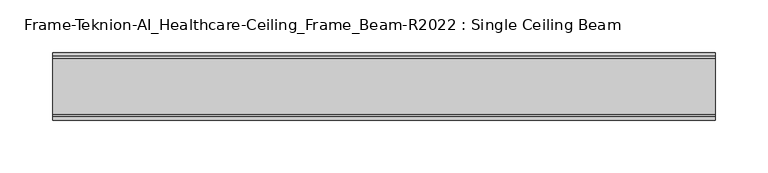
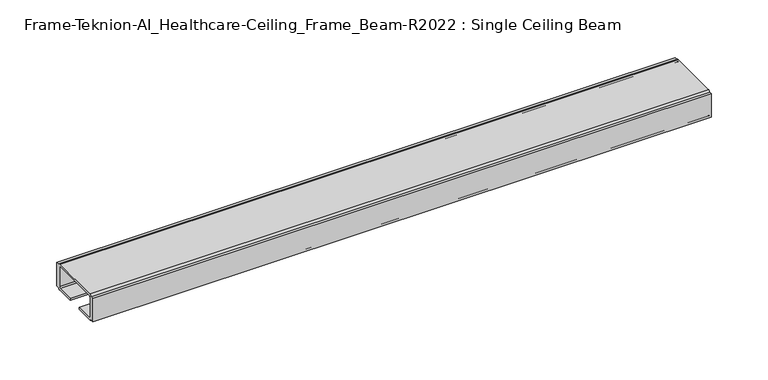
"""IFC4 building model written with IfcOpenShell, lengths in millimetres: furniture geometry, Frame-Teknion-AI_Healthcare-Ceiling_Frame_Beam-R2022 : Single Ceiling Beam."""

from ifc_helpers import new_model, si_unit, point, frame, frame_2d, origin, place, context, project, spatial, polyline, circle_curve, trimmed, segment, composite_curve, outline, extrude, source, transform, mapped, element, save


def frame_teknion_ai_healthcare_ceiling_frame_beam_r2022_single_15f0d09a(model_context):
    return source(origin(), model_context, "Body", "SweptSolid", [
        extrude(outline(composite_curve([segment(polyline([(-32.174996, 1573.5046), (-32.174996, 1598.9045998), (-28.999999, 1598.9045998), (-28.999999, 1597.787)]), True, "CONTINUOUS"), segment(trimmed(circle_curve(frame_2d((-26.5869991, 1597.787)), 2.413), [point((-28.999999, 1597.787))], [point((-26.5869991, 1600.2))], False, "CARTESIAN"), True, "CONTINUOUS"), segment(polyline([(-26.5869991, 1600.2), (26.5869991, 1600.2)]), True, "CONTINUOUS"), segment(trimmed(circle_curve(frame_2d((26.5869991, 1597.787)), 2.413), [point((26.5869991, 1600.2))], [point((28.999999, 1597.787))], False, "CARTESIAN"), True, "CONTINUOUS"), segment(polyline([(28.999999, 1597.787), (28.999999, 1598.9045998), (32.174996, 1598.9045998), (32.174996, 1573.5046), (28.999999, 1573.5046), (28.999999, 1574.6129989)]), True, "CONTINUOUS"), segment(trimmed(circle_curve(frame_2d((26.5869991, 1574.6129989)), 2.413), [point((28.999999, 1574.6129989))], [point((26.5869991, 1572.199999))], False, "CARTESIAN"), True, "CONTINUOUS"), segment(polyline([(26.5869991, 1572.199999), (7.9374947, 1572.199999), (7.9374947, 1574.4859991), (25.4440002, 1574.4859991)]), True, "CONTINUOUS"), segment(trimmed(circle_curve(frame_2d((25.4440002, 1576.0099999)), 1.5240008), [point((25.4440002, 1574.4859991))], [point((26.968001, 1576.0099999))], True, "CARTESIAN"), True, "CONTINUOUS"), segment(polyline([(26.968001, 1576.0099999), (26.968001, 1597.1520009)]), True, "CONTINUOUS"), segment(trimmed(circle_curve(frame_2d((25.9520019, 1597.1520009)), 1.015999), [point((26.968001, 1597.1520009))], [point((25.9520019, 1598.168))], True, "CARTESIAN"), True, "CONTINUOUS"), segment(polyline([(25.9520019, 1598.168), (-25.9520019, 1598.168)]), True, "CONTINUOUS"), segment(trimmed(circle_curve(frame_2d((-25.9520019, 1597.1520009)), 1.015999), [point((-25.9520019, 1598.168))], [point((-26.968001, 1597.1520009))], True, "CARTESIAN"), True, "CONTINUOUS"), segment(polyline([(-26.968001, 1597.1520009), (-26.968001, 1576.0099999)]), True, "CONTINUOUS"), segment(trimmed(circle_curve(frame_2d((-25.4440002, 1576.0099999)), 1.5240008), [point((-26.968001, 1576.0099999))], [point((-25.4440002, 1574.4859991))], True, "CARTESIAN"), True, "CONTINUOUS"), segment(polyline([(-25.4440002, 1574.4859991), (-7.9374947, 1574.4859991), (-7.9374947, 1572.199999), (-26.5869991, 1572.199999)]), True, "CONTINUOUS"), segment(trimmed(circle_curve(frame_2d((-26.5869991, 1574.6129989)), 2.413), [point((-26.5869991, 1572.199999))], [point((-28.999999, 1574.6129989))], False, "CARTESIAN"), True, "CONTINUOUS"), segment(polyline([(-28.999999, 1574.6129989), (-28.999999, 1573.5046), (-32.174996, 1573.5046)]), True, "CONTINUOUS")], self_intersect=False)), frame((-315.6204, 0.0, 0.0), z_axis=(1.0, 0.0, 0.0), x_axis=(0.0, 1.0, 0.0)), (0.0, 0.0, 1.0), 631.2408),
    ])


if __name__ == "__main__":
    model = new_model("IFC4")
    model_context = context("Model", 3, world=origin())
    ifc_project = project(units=[si_unit("LENGTHUNIT", "METRE", prefix="MILLI")], contexts=[model_context])
    site = spatial("IfcSite", under=ifc_project)
    building = spatial("IfcBuilding", under=site)
    placement = place(None, origin())
    frame_teknion_ai_healthcare_ceiling_frame_beam_r2022_single_shape = frame_teknion_ai_healthcare_ceiling_frame_beam_r2022_single_15f0d09a(model_context)
    element("IfcFurniture", 1, ObjectType="Frame-Teknion-AI_Healthcare-Ceiling_Frame_Beam-R2022 : Single Ceiling Beam", at=placement, inside=building, context=model_context, shape_type="MappedRepresentation", body=[
        mapped(frame_teknion_ai_healthcare_ceiling_frame_beam_r2022_single_shape, transform((0.0, 0.0, 0.0), x_axis=(1.0, 0.0, 0.0), y_axis=(0.0, 1.0, 0.0), z_axis=(0.0, 0.0, 1.0))),
    ])
    save(model, "model.ifc")
